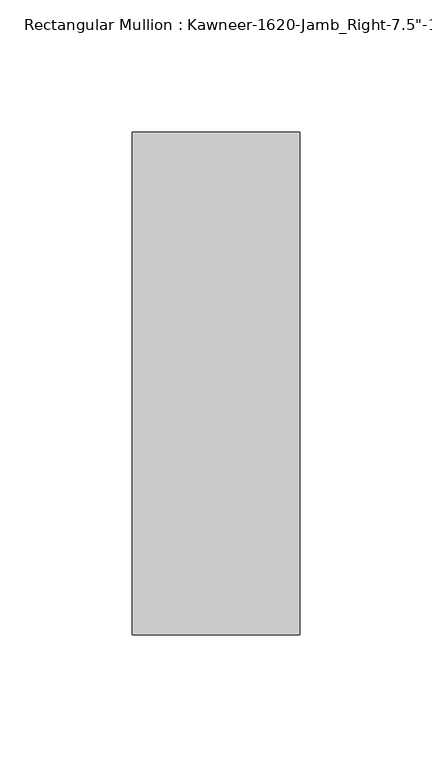
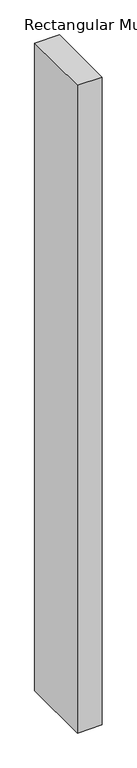
"""IFC4 building model written with IfcOpenShell, lengths in millimetres: member geometry."""

from ifc_helpers import new_model, si_unit, frame, origin, place, context, project, spatial, polyline, outline, extrude, source, transform, mapped, element, save


def member_8458a88b(model_context):
    return source(origin(), model_context, "Body", "SweptSolid", [
        extrude(outline(polyline([(-63.5, -28.575), (-63.5, 161.925), (0.0, 161.925), (0.0, -28.575), (-63.5, -28.575)])), frame((0.0, 0.0, -1765.3), z_axis=(0.0, 0.0, 1.0), x_axis=(1.0, 0.0, 0.0)), (0.0, 0.0, 1.0), 1765.3),
    ])


if __name__ == "__main__":
    model = new_model("IFC4")
    model_context = context("Model", 3, world=origin())
    ifc_project = project(units=[si_unit("LENGTHUNIT", "METRE", prefix="MILLI")], contexts=[model_context])
    site = spatial("IfcSite", under=ifc_project)
    building = spatial("IfcBuilding", under=site)
    placement = place(None, origin())
    member_shape = member_8458a88b(model_context)
    element("IfcMember", 1, ObjectType="Rectangular Mullion : Kawneer-1620-Jamb_Right-7.5\"-1/4\"Infill", at=placement, inside=building, context=model_context, shape_type="MappedRepresentation", body=[
        mapped(member_shape, transform((0.0, 0.0, 0.0), x_axis=(1.0, 0.0, 0.0), y_axis=(0.0, 1.0, 0.0), z_axis=(0.0, 0.0, 1.0))),
    ])
    save(model, "model.ifc")
